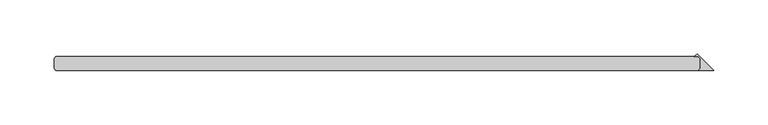
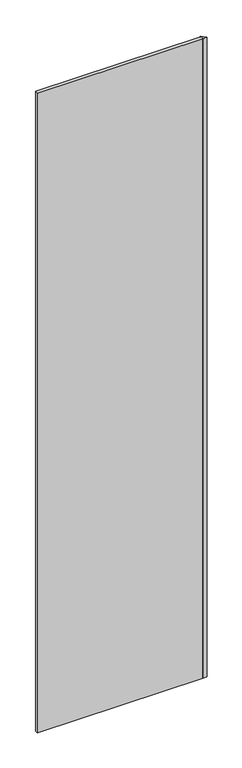
"""IFC4 building model written with IfcOpenShell, lengths in millimetres: plate geometry."""

from ifc_helpers import new_model, si_unit, origin, origin_with_axes, place, context, project, spatial, polyline, outline, extrude, source, transform, mapped, element, save


def plate_940317f8(model_context):
    return source(origin(), model_context, "Body", "SweptSolid", [
        extrude(outline(polyline([(280.590625, 25.4), (280.590625, 34.925), (279.003125, 36.5125), (275.170561, 36.5125), (277.880593, 39.222532), (293.290625, 23.8125), (279.003125, 23.8125), (280.590625, 25.4)])), origin_with_axes(), (0.0, 0.0, 1.0), 2428.7789267),
        extrude(outline(polyline([(279.003125, 23.8125), (-315.515625, 23.8125), (-317.103125, 25.4), (-317.103125, 34.925), (-315.515625, 36.5125), (279.003125, 36.5125), (280.590625, 34.925), (280.590625, 25.4), (279.003125, 23.8125)])), origin_with_axes(), (0.0, 0.0, 1.0), 2428.7789267),
    ])


if __name__ == "__main__":
    model = new_model("IFC4")
    model_context = context("Model", 3, world=origin())
    ifc_project = project(units=[si_unit("LENGTHUNIT", "METRE", prefix="MILLI")], contexts=[model_context])
    site = spatial("IfcSite", under=ifc_project)
    building = spatial("IfcBuilding", under=site)
    placement = place(None, origin())
    plate_shape = plate_940317f8(model_context)
    element("IfcPlate", 1, at=placement, inside=building, context=model_context, shape_type="MappedRepresentation", body=[
        mapped(plate_shape, transform((0.0, 0.0, 0.0), x_axis=(1.0, 0.0, 0.0), y_axis=(0.0, 1.0, 0.0), z_axis=(0.0, 0.0, 1.0))),
    ])
    save(model, "model.ifc")
